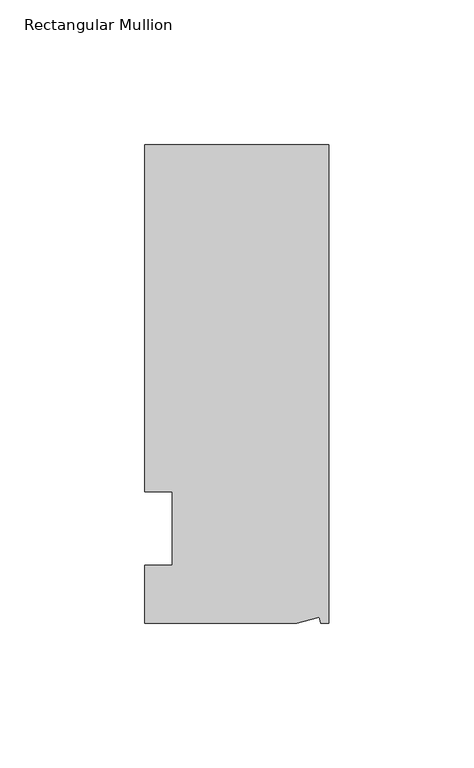
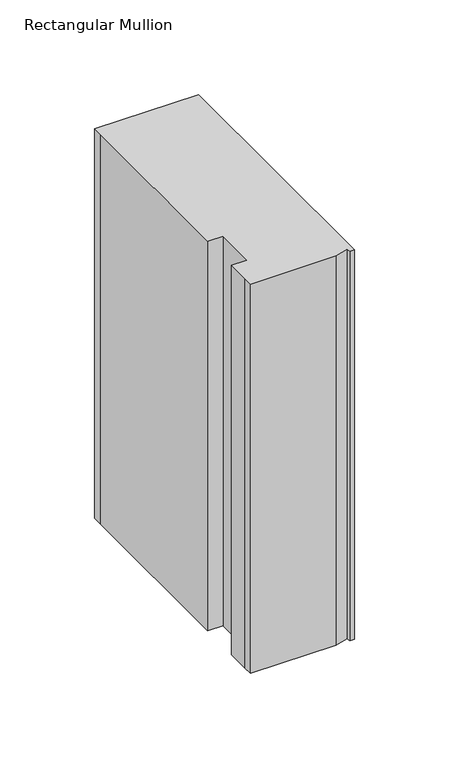
"""IFC4 building model written with IfcOpenShell, lengths in millimetres: member geometry, Rectangular Mullion."""

from ifc_helpers import new_model, si_unit, frame, origin, place, context, project, spatial, polyline, outline, extrude, source, transform, mapped, element, save


def rectangular_mullion_2230e98c(model_context):
    return source(origin(), model_context, "Body", "SweptSolid", [
        extrude(outline(polyline([(0.0, 132.5561012), (0.0, -32.5438988), (-2.7616541, -32.5438988), (-3.3341886, -30.4622958), (-11.121847, -32.5438988), (-63.5, -32.5438988), (-63.5, -26.1938988), (-63.5, -12.5945801), (-53.975, -12.5945801), (-53.975, 12.8054199), (-63.5, 12.8054199), (-63.5, 126.2061012), (-63.5, 132.5561012), (0.0, 132.5561012)])), frame((0.0, 0.0, -251.466413), z_axis=(0.0, 0.0, 1.0), x_axis=(1.0, 0.0, 0.0)), (0.0, 0.0, 1.0), 251.466413),
    ])


if __name__ == "__main__":
    model = new_model("IFC4")
    model_context = context("Model", 3, world=origin())
    ifc_project = project(units=[si_unit("LENGTHUNIT", "METRE", prefix="MILLI")], contexts=[model_context])
    site = spatial("IfcSite", under=ifc_project)
    building = spatial("IfcBuilding", under=site)
    placement = place(None, origin())
    rectangular_mullion_shape = rectangular_mullion_2230e98c(model_context)
    element("IfcMember", 1, ObjectType="Rectangular Mullion", at=placement, inside=building, context=model_context, shape_type="MappedRepresentation", body=[
        mapped(rectangular_mullion_shape, transform((0.0, 0.0, 0.0), x_axis=(1.0, 0.0, 0.0), y_axis=(0.0, 1.0, 0.0), z_axis=(0.0, 0.0, 1.0))),
    ])
    save(model, "model.ifc")
